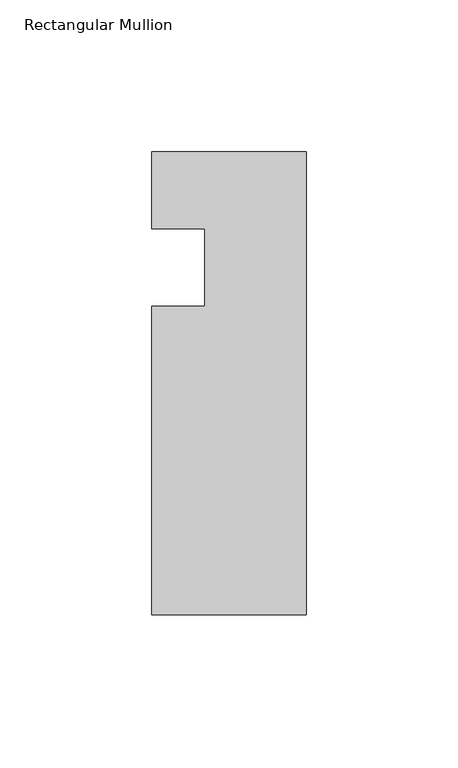
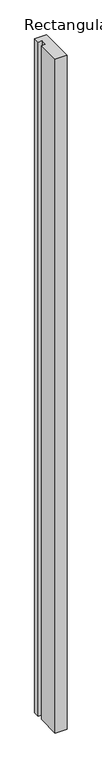
"""IFC4 building model written with IfcOpenShell, lengths in millimetres: member geometry, Rectangular Mullion."""

import ifcopenshell
import ifcopenshell.guid

model = None  # the IFC model being written
_history = None  # IfcOwnerHistory: only IFC2X3 demands one
_inside = {}  # id of a spatial element -> (the spatial element, [elements in it])
_under = {}  # id of a project, library or spatial element -> (it, [spatial elements below it])
_declared = {}  # id of a project -> (the project, [libraries it declares])
_typed = {}  # id of a type object -> (the type object, [elements of that type])
_made_of = {}  # id of a material, layer set ... -> (it, [elements and type objects made of it])


def new_model(schema):
    """Start an empty IFC model of exactly this schema.

    Asked for "IFC4X3", IfcOpenShell would pick the latest addendum, in which some entities
    have other attributes; the version numbers below select the first issue.
    IFC2X3 requires an IfcOwnerHistory on every rooted entity: one is made here for all.
    """
    global model, _history
    if schema == "IFC4X3":
        model = ifcopenshell.file(schema_version=(4, 3, 0, 0))
    else:
        model = ifcopenshell.file(schema=schema)
    _inside.clear()
    _under.clear()
    _declared.clear()
    _typed.clear()
    _made_of.clear()
    _history = None
    if model.schema == "IFC2X3":
        org = make("IfcOrganization", Name="unknown")
        user = make(
            "IfcPersonAndOrganization",
            ThePerson=make("IfcPerson", FamilyName="unknown"),
            TheOrganization=org,
        )
        app = make(
            "IfcApplication",
            ApplicationDeveloper=org,
            Version="unknown",
            ApplicationFullName="unknown",
            ApplicationIdentifier="unknown",
        )
        _history = make(
            "IfcOwnerHistory",
            OwningUser=user,
            OwningApplication=app,
            ChangeAction="ADDED",
            CreationDate=0,
        )
    return model


def make(cls, **values):
    """One entity of the class cls with the attributes given. An attribute that is None is left unset."""
    return model.create_entity(
        cls, **{name: value for name, value in values.items() if value is not None}
    )


def rooted(cls, **values):
    """An entity with a GlobalId (a new one), such as an element, a storey or a relation."""
    return make(cls, GlobalId=ifcopenshell.guid.new(), OwnerHistory=_history, **values)


def si_unit(unit_type, name, prefix=None):
    """IfcSIUnit, for example si_unit("LENGTHUNIT", "METRE", prefix="MILLI")."""
    return make("IfcSIUnit", UnitType=unit_type, Prefix=prefix, Name=name)


def assignment(units):
    """IfcUnitAssignment: the units of a project."""
    return None if units is None else make("IfcUnitAssignment", Units=units)


def point(xyz):
    """IfcCartesianPoint."""
    return None if xyz is None else make("IfcCartesianPoint", Coordinates=xyz)


def direction(xyz):
    """IfcDirection."""
    return None if xyz is None else make("IfcDirection", DirectionRatios=xyz)


def frame(location, z_axis=None, x_axis=None):
    """IfcAxis2Placement3D, a coordinate frame: its origin and axes. An axis left out is left unset."""
    return make(
        "IfcAxis2Placement3D",
        Location=point(location),
        Axis=direction(z_axis),
        RefDirection=direction(x_axis),
    )


def origin():
    """The frame at (0, 0, 0) with its axes left unset."""
    return frame((0.0, 0.0, 0.0))


def place(relative_to, where):
    """IfcLocalPlacement: puts the frame where relative to a parent placement (None: the world)."""
    return make(
        "IfcLocalPlacement", PlacementRelTo=relative_to, RelativePlacement=where
    )


def context(
    kind, dimensions, precision=None, world=None, true_north=None, identifier=None
):
    """IfcGeometricRepresentationContext, for example the 3D "Model" context."""
    return make(
        "IfcGeometricRepresentationContext",
        ContextIdentifier=identifier,
        ContextType=kind,
        CoordinateSpaceDimension=dimensions,
        Precision=precision,
        WorldCoordinateSystem=world,
        TrueNorth=true_north,
    )


def project(units=None, contexts=None):
    """IfcProject with its units and contexts."""
    return rooted(
        "IfcProject",
        Name="project",
        RepresentationContexts=contexts,
        UnitsInContext=assignment(units),
    )


def spatial(cls, under=None, at=None, **own):
    """A site, building, storey or space (cls), placed at a placement, below another one or the project."""
    s = rooted(cls, ObjectPlacement=at, **own)
    if under is not None:
        _under.setdefault(under.id(), (under, []))[1].append(s)
    return s


def polyline(points):
    """IfcPolyline through the points."""
    return make("IfcPolyline", Points=[point(p) for p in points])


def outline(outer, holes=None, kind="AREA"):
    """IfcArbitraryClosedProfileDef: a profile drawn as a closed curve; with holes, ...WithVoids."""
    if holes is None:
        return make("IfcArbitraryClosedProfileDef", ProfileType=kind, OuterCurve=outer)
    return make(
        "IfcArbitraryProfileDefWithVoids",
        ProfileType=kind,
        OuterCurve=outer,
        InnerCurves=holes,
    )


def extrude(swept, where, along, depth):
    """IfcExtrudedAreaSolid: the profile swept, set in the frame where, extruded along a direction by depth."""
    return make(
        "IfcExtrudedAreaSolid",
        SweptArea=swept,
        Position=where,
        ExtrudedDirection=direction(along),
        Depth=depth,
    )


def shape(context_of_items, identifier, shape_type, items):
    """IfcShapeRepresentation: the items that make up one representation, for example the "Body"."""
    return make(
        "IfcShapeRepresentation",
        ContextOfItems=context_of_items,
        RepresentationIdentifier=identifier,
        RepresentationType=shape_type,
        Items=items,
    )


def source(mapping_origin, context_of_items, identifier, shape_type, items):
    """IfcRepresentationMap: a shape defined once, which mapped items show again and again."""
    return make(
        "IfcRepresentationMap",
        MappingOrigin=mapping_origin,
        MappedRepresentation=shape(context_of_items, identifier, shape_type, items),
    )


def transform(
    local_origin,
    x_axis=None,
    y_axis=None,
    z_axis=None,
    scale=None,
    scale2=None,
    scale3=None,
    uniform=True,
):
    """IfcCartesianTransformationOperator3D, or its non-uniform kind. x_axis, y_axis, z_axis: its Axis1, 2, 3."""
    if uniform:
        return make(
            "IfcCartesianTransformationOperator3D",
            Axis1=direction(x_axis),
            Axis2=direction(y_axis),
            LocalOrigin=point(local_origin),
            Scale=scale,
            Axis3=direction(z_axis),
        )
    return make(
        "IfcCartesianTransformationOperator3DnonUniform",
        Axis1=direction(x_axis),
        Axis2=direction(y_axis),
        LocalOrigin=point(local_origin),
        Scale=scale,
        Axis3=direction(z_axis),
        Scale2=scale2,
        Scale3=scale3,
    )


def mapped(mapping_source, mapping_target):
    """IfcMappedItem: shows the shape of a source again, moved by a transform."""
    return make(
        "IfcMappedItem", MappingSource=mapping_source, MappingTarget=mapping_target
    )


def made_of(thing, what):
    """Note that an element or type object is made of a material, layer set ...; save() writes the relation."""
    if what is not None:
        _made_of.setdefault(what.id(), (what, []))[1].append(thing)
    return thing


def element(
    cls,
    number,
    at=None,
    inside=None,
    cuts=None,
    type_object=None,
    material=None,
    context=None,
    identifier="Body",
    shape_type=None,
    held_by="IfcProductDefinitionShape",
    body=None,
    shapes=None,
    **own,
):
    """One element of the class cls, such as IfcWall. Its Tag is "e" and its number.

    at: its placement. inside: the storey or other place that contains it. cuts: it is an
    opening in that element (IfcRelVoidsElement). A single representation is given by context,
    identifier, shape_type and body (its items); several are given by shapes. held_by: the class
    of the entity that holds the representations. save() writes the other relations.
    """
    e = rooted(cls, Tag="e%d" % number, ObjectPlacement=at, **own)
    if body is not None:
        shapes = [shape(context, identifier, shape_type, body)]
    if shapes is not None:
        e.Representation = make(held_by, Representations=shapes)
    if inside is not None:
        _inside.setdefault(inside.id(), (inside, []))[1].append(e)
    if cuts is not None:
        rooted(
            "IfcRelVoidsElement", RelatingBuildingElement=cuts, RelatedOpeningElement=e
        )
    if type_object is not None:
        _typed.setdefault(type_object.id(), (type_object, []))[1].append(e)
    return made_of(e, material)


def aggregate(whole, parts):
    """IfcRelAggregates: a whole, such as a stair, and the parts it consists of."""
    return rooted("IfcRelAggregates", RelatingObject=whole, RelatedObjects=parts)


def save(model, path):
    """Write the relations noted so far, then the file.

    IfcRelAggregates (storeys below a building ...), IfcRelContainedInSpatialStructure (elements
    in a storey), IfcRelDefinesByType, IfcRelAssociatesMaterial and IfcRelDeclares: one each for
    every whole, place, type object, material and project.
    """
    for whole, parts in _under.values():
        aggregate(whole, parts)
    for where, things in _inside.values():
        rooted(
            "IfcRelContainedInSpatialStructure",
            RelatedElements=things,
            RelatingStructure=where,
        )
    for kind, things in _typed.values():
        rooted("IfcRelDefinesByType", RelatedObjects=things, RelatingType=kind)
    for what, things in _made_of.values():
        rooted("IfcRelAssociatesMaterial", RelatedObjects=things, RelatingMaterial=what)
    for by, libraries in _declared.values():
        rooted("IfcRelDeclares", RelatingContext=by, RelatedDefinitions=libraries)
    model.write(path)


def rectangular_mullion_29df40db(model_context):
    return source(origin(), model_context, "Body", "SweptSolid", [
        extrude(outline(polyline([(-50.8, -152.4), (-50.8, -50.8), (-33.3502, -50.8), (-33.3502, -25.4), (-50.8, -25.4), (-50.8, 0.0), (0.0, 0.0), (0.0, -152.4), (-50.8, -152.4)])), frame((0.0, 0.0, -3048.0), z_axis=(0.0, 0.0, 1.0), x_axis=(1.0, 0.0, 0.0)), (0.0, 0.0, 1.0), 3048.0),
    ])


if __name__ == "__main__":
    model = new_model("IFC4")
    model_context = context("Model", 3, world=origin())
    ifc_project = project(units=[si_unit("LENGTHUNIT", "METRE", prefix="MILLI")], contexts=[model_context])
    site = spatial("IfcSite", under=ifc_project)
    building = spatial("IfcBuilding", under=site)
    placement = place(None, origin())
    rectangular_mullion_shape = rectangular_mullion_29df40db(model_context)
    element("IfcMember", 1, ObjectType="Rectangular Mullion", at=placement, inside=building, context=model_context, shape_type="MappedRepresentation", body=[
        mapped(rectangular_mullion_shape, transform((0.0, 0.0, 0.0), x_axis=(1.0, 0.0, 0.0), y_axis=(0.0, 1.0, 0.0), z_axis=(0.0, 0.0, 1.0))),
    ])
    save(model, "model.ifc")
